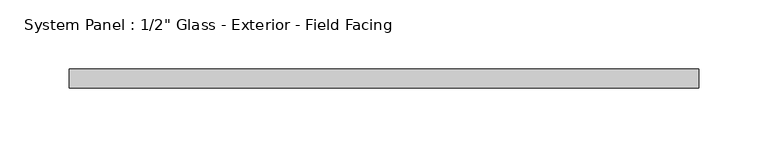
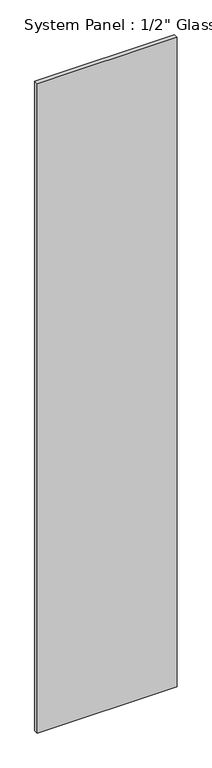
"""IFC4 building model written with IfcOpenShell, lengths in millimetres: plate geometry."""

from ifc_helpers import new_model, si_unit, origin, origin_with_axes, place, context, project, spatial, polyline, outline, extrude, source, transform, mapped, element, save


def plate_35f4f130(model_context):
    return source(origin(), model_context, "Body", "SweptSolid", [
        extrude(outline(polyline([(226.3700893, -11.55), (-226.3700893, -11.55), (-226.3700893, 1.95), (226.3700893, 1.95), (226.3700893, -11.55)])), origin_with_axes(), (0.0, 0.0, 1.0), 2223.15),
    ])


if __name__ == "__main__":
    model = new_model("IFC4")
    model_context = context("Model", 3, world=origin())
    ifc_project = project(units=[si_unit("LENGTHUNIT", "METRE", prefix="MILLI")], contexts=[model_context])
    site = spatial("IfcSite", under=ifc_project)
    building = spatial("IfcBuilding", under=site)
    placement = place(None, origin())
    plate_shape = plate_35f4f130(model_context)
    element("IfcPlate", 1, ObjectType="System Panel : 1/2\" Glass - Exterior - Field Facing", at=placement, inside=building, context=model_context, shape_type="MappedRepresentation", body=[
        mapped(plate_shape, transform((0.0, 0.0, 0.0), x_axis=(1.0, 0.0, 0.0), y_axis=(0.0, 1.0, 0.0), z_axis=(0.0, 0.0, 1.0))),
    ])
    save(model, "model.ifc")
